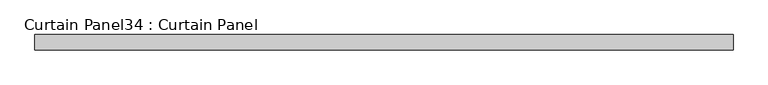
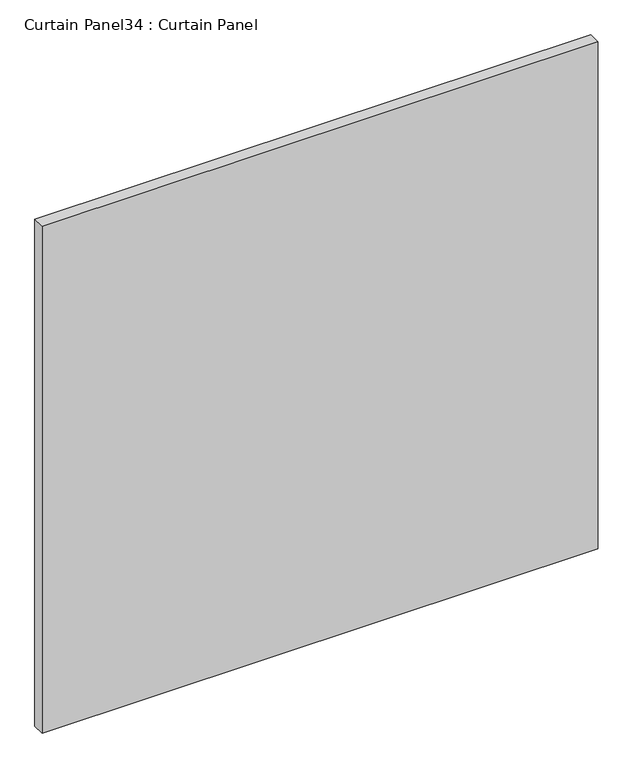
"""IFC4 building model written with IfcOpenShell, lengths in millimetres: plate geometry, Curtain Panel34 : Curtain Panel."""

from ifc_helpers import new_model, si_unit, frame, origin, place, context, project, spatial, polyline, outline, extrude, source, transform, mapped, element, save


def curtain_panel34_curtain_panel_eeca6387(model_context):
    return source(origin(), model_context, "Body", "SweptSolid", [
        extrude(outline(polyline([(-413843.5652248, 3483.7345246), (-414992.6981234, 3483.7345246), (-414992.6981234, 3509.1345246), (-413843.5652248, 3509.1345246), (-413843.5652248, 3483.7345246)])), frame((0.0, 0.0, 2447.9251132), z_axis=(0.0, 0.0, 1.0), x_axis=(1.0, 0.0, 0.0)), (0.0, 0.0, 1.0), 1107.5851068),
    ])


if __name__ == "__main__":
    model = new_model("IFC4")
    model_context = context("Model", 3, world=origin())
    ifc_project = project(units=[si_unit("LENGTHUNIT", "METRE", prefix="MILLI")], contexts=[model_context])
    site = spatial("IfcSite", under=ifc_project)
    building = spatial("IfcBuilding", under=site)
    placement = place(None, origin())
    curtain_panel34_curtain_panel_shape = curtain_panel34_curtain_panel_eeca6387(model_context)
    element("IfcPlate", 1, ObjectType="Curtain Panel34 : Curtain Panel", at=placement, inside=building, context=model_context, shape_type="MappedRepresentation", body=[
        mapped(curtain_panel34_curtain_panel_shape, transform((0.0, 0.0, 0.0), x_axis=(1.0, 0.0, 0.0), y_axis=(0.0, 1.0, 0.0), z_axis=(0.0, 0.0, 1.0))),
    ])
    save(model, "model.ifc")
